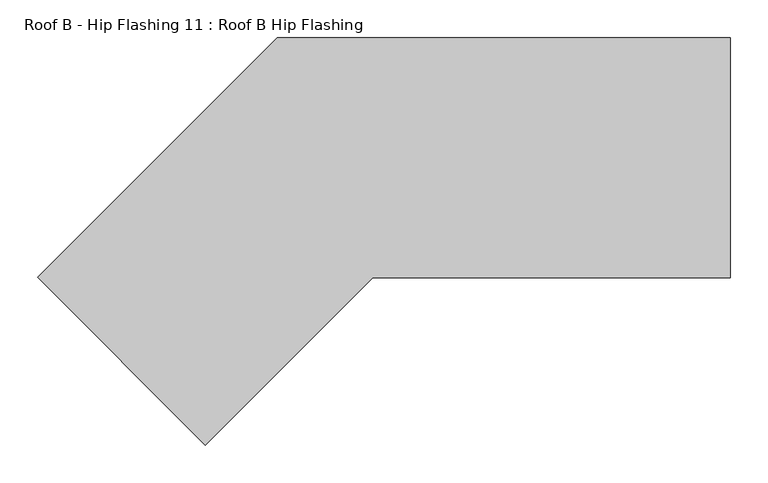
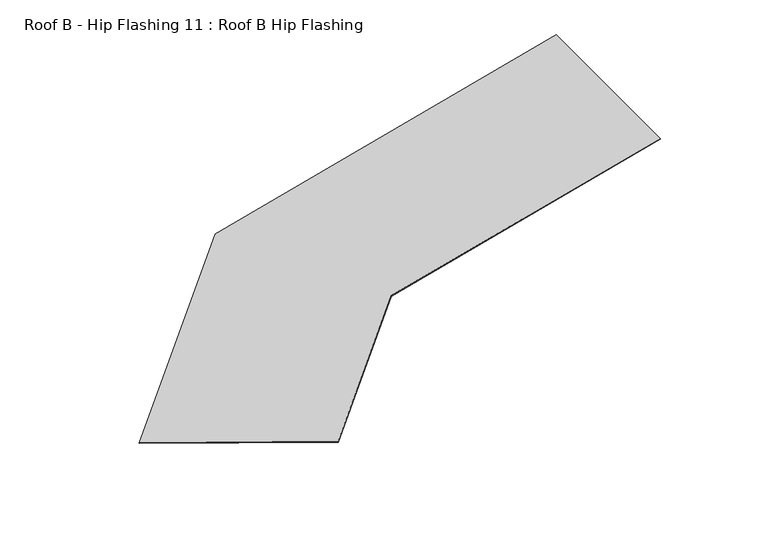
"""IFC4 building model written with IfcOpenShell, lengths in millimetres: proxy geometry, Roof B - Hip Flashing 11 : Roof B Hip Flashing."""

from ifc_helpers import new_model, si_unit, origin, place, context, project, spatial, faceted_brep, source, transform, mapped, element, save


def roof_b_hip_flashing_11_roof_b_hip_flashing_3e75656d(model_context):
    return source(origin(), model_context, "Body", "Brep", [
        faceted_brep([(-5873.8901519, -32223.6806475, 3027.1449194), (-5873.8901519, -32223.6806475, 3028.8013612), (-5555.0149401, -31904.8054356, 3114.2437167), (-5555.0149401, -31904.8054356, 3112.5872749), (-5428.2628868, -32224.3052992, 3148.206827), (-4952.5993027, -32224.3052992, 3275.6605003), (-4952.5993027, -31904.8054356, 3275.6605003), (-5650.7641935, -32446.8066058, 3088.5877816), (-4952.5993027, -32224.3052992, 3274.0040584), (-5428.2628868, -32224.3052992, 3146.5503852), (-5650.7641935, -32446.8066058, 3086.9313397), (-4952.5993027, -31904.8054356, 3274.0040584)], [[[0, 1, 2, 3]], [[4, 5, 6, 2, 1, 7]], [[8, 9, 10, 0, 3, 11]], [[4, 9, 8, 5]], [[9, 4, 7, 10]], [[5, 8, 11, 6]], [[1, 0, 10, 7]], [[3, 2, 6, 11]]]),
    ])


if __name__ == "__main__":
    model = new_model("IFC4")
    model_context = context("Model", 3, world=origin())
    ifc_project = project(units=[si_unit("LENGTHUNIT", "METRE", prefix="MILLI")], contexts=[model_context])
    site = spatial("IfcSite", under=ifc_project)
    building = spatial("IfcBuilding", under=site)
    placement = place(None, origin())
    roof_b_hip_flashing_11_roof_b_hip_flashing_shape = roof_b_hip_flashing_11_roof_b_hip_flashing_3e75656d(model_context)
    element("IfcBuildingElementProxy", 1, Name="Roof B - Hip Flashing 11 : Roof B Hip Flashing", ObjectType="Roof B - Hip Flashing 11 : Roof B Hip Flashing", at=placement, inside=building, context=model_context, shape_type="MappedRepresentation", body=[
        mapped(roof_b_hip_flashing_11_roof_b_hip_flashing_shape, transform((0.0, 0.0, 0.0), x_axis=(1.0, 0.0, 0.0), y_axis=(0.0, 1.0, 0.0), z_axis=(0.0, 0.0, 1.0))),
    ])
    save(model, "model.ifc")
